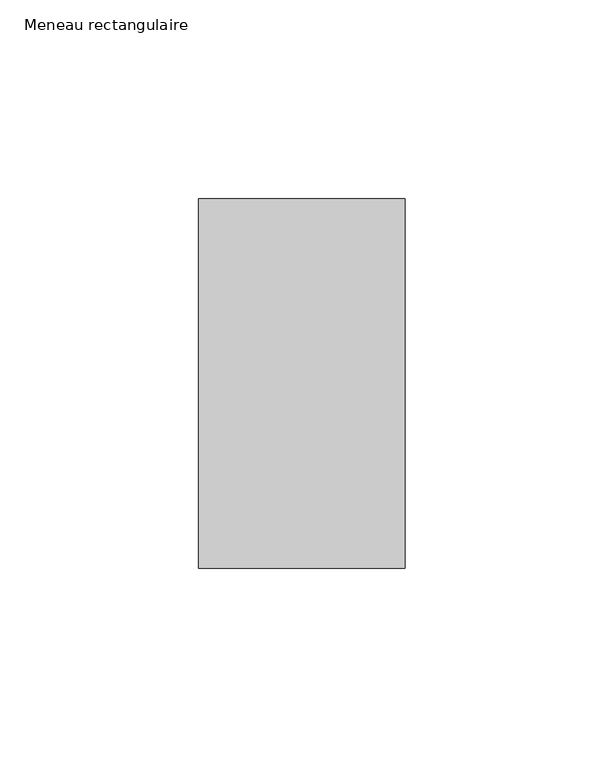
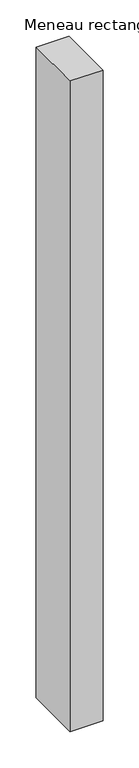
"""IFC4 building model written with IfcOpenShell, lengths in millimetres: member geometry, Meneau rectangulaire."""

from ifc_helpers import new_model, si_unit, frame, origin, place, context, project, spatial, polyline, outline, extrude, source, transform, mapped, element, save


def meneau_rectangulaire_aafb4696(model_context):
    return source(origin(), model_context, "Body", "SweptSolid", [
        extrude(outline(polyline([(-52.0, 46.5), (0.0, 46.5), (0.0, -46.5), (-52.0, -46.5), (-52.0, 46.5)])), frame((0.0, 0.0, -1091.2500002), z_axis=(0.0, 0.0, 1.0), x_axis=(1.0, 0.0, 0.0)), (0.0, 0.0, 1.0), 1091.2500002),
    ])


if __name__ == "__main__":
    model = new_model("IFC4")
    model_context = context("Model", 3, world=origin())
    ifc_project = project(units=[si_unit("LENGTHUNIT", "METRE", prefix="MILLI")], contexts=[model_context])
    site = spatial("IfcSite", under=ifc_project)
    building = spatial("IfcBuilding", under=site)
    placement = place(None, origin())
    meneau_rectangulaire_shape = meneau_rectangulaire_aafb4696(model_context)
    element("IfcMember", 1, ObjectType="Meneau rectangulaire", at=placement, inside=building, context=model_context, shape_type="MappedRepresentation", body=[
        mapped(meneau_rectangulaire_shape, transform((0.0, 0.0, 0.0), x_axis=(1.0, 0.0, 0.0), y_axis=(0.0, 1.0, 0.0), z_axis=(0.0, 0.0, 1.0))),
    ])
    save(model, "model.ifc")
